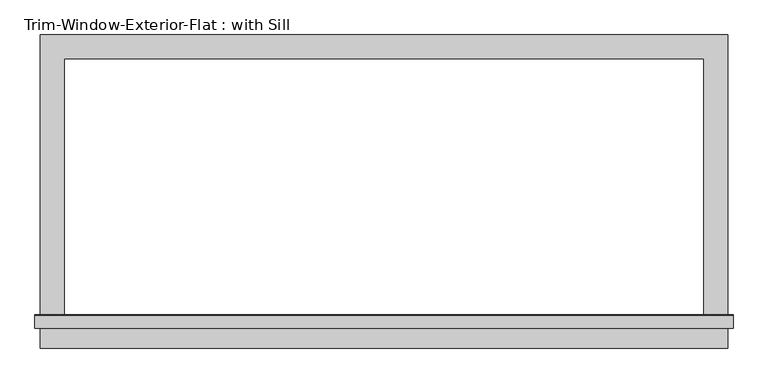
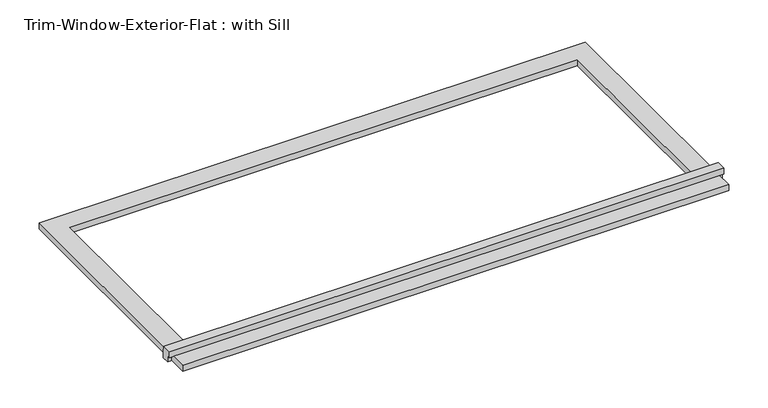
"""IFC4 building model written with IfcOpenShell, lengths in millimetres: proxy geometry, Trim-Window-Exterior-Flat : with Sill."""

import ifcopenshell
import ifcopenshell.guid

model = None  # the IFC model being written
_history = None  # IfcOwnerHistory: only IFC2X3 demands one
_inside = {}  # id of a spatial element -> (the spatial element, [elements in it])
_under = {}  # id of a project, library or spatial element -> (it, [spatial elements below it])
_declared = {}  # id of a project -> (the project, [libraries it declares])
_typed = {}  # id of a type object -> (the type object, [elements of that type])
_made_of = {}  # id of a material, layer set ... -> (it, [elements and type objects made of it])


def new_model(schema):
    """Start an empty IFC model of exactly this schema.

    Asked for "IFC4X3", IfcOpenShell would pick the latest addendum, in which some entities
    have other attributes; the version numbers below select the first issue.
    IFC2X3 requires an IfcOwnerHistory on every rooted entity: one is made here for all.
    """
    global model, _history
    if schema == "IFC4X3":
        model = ifcopenshell.file(schema_version=(4, 3, 0, 0))
    else:
        model = ifcopenshell.file(schema=schema)
    _inside.clear()
    _under.clear()
    _declared.clear()
    _typed.clear()
    _made_of.clear()
    _history = None
    if model.schema == "IFC2X3":
        org = make("IfcOrganization", Name="unknown")
        user = make(
            "IfcPersonAndOrganization",
            ThePerson=make("IfcPerson", FamilyName="unknown"),
            TheOrganization=org,
        )
        app = make(
            "IfcApplication",
            ApplicationDeveloper=org,
            Version="unknown",
            ApplicationFullName="unknown",
            ApplicationIdentifier="unknown",
        )
        _history = make(
            "IfcOwnerHistory",
            OwningUser=user,
            OwningApplication=app,
            ChangeAction="ADDED",
            CreationDate=0,
        )
    return model


def make(cls, **values):
    """One entity of the class cls with the attributes given. An attribute that is None is left unset."""
    return model.create_entity(
        cls, **{name: value for name, value in values.items() if value is not None}
    )


def rooted(cls, **values):
    """An entity with a GlobalId (a new one), such as an element, a storey or a relation."""
    return make(cls, GlobalId=ifcopenshell.guid.new(), OwnerHistory=_history, **values)


def si_unit(unit_type, name, prefix=None):
    """IfcSIUnit, for example si_unit("LENGTHUNIT", "METRE", prefix="MILLI")."""
    return make("IfcSIUnit", UnitType=unit_type, Prefix=prefix, Name=name)


def assignment(units):
    """IfcUnitAssignment: the units of a project."""
    return None if units is None else make("IfcUnitAssignment", Units=units)


def point(xyz):
    """IfcCartesianPoint."""
    return None if xyz is None else make("IfcCartesianPoint", Coordinates=xyz)


def direction(xyz):
    """IfcDirection."""
    return None if xyz is None else make("IfcDirection", DirectionRatios=xyz)


def frame(location, z_axis=None, x_axis=None):
    """IfcAxis2Placement3D, a coordinate frame: its origin and axes. An axis left out is left unset."""
    return make(
        "IfcAxis2Placement3D",
        Location=point(location),
        Axis=direction(z_axis),
        RefDirection=direction(x_axis),
    )


def origin():
    """The frame at (0, 0, 0) with its axes left unset."""
    return frame((0.0, 0.0, 0.0))


def origin_with_axes():
    """The frame at (0, 0, 0) with the z axis (0, 0, 1) and the x axis (1, 0, 0) written out."""
    return frame((0.0, 0.0, 0.0), z_axis=(0.0, 0.0, 1.0), x_axis=(1.0, 0.0, 0.0))


def place(relative_to, where):
    """IfcLocalPlacement: puts the frame where relative to a parent placement (None: the world)."""
    return make(
        "IfcLocalPlacement", PlacementRelTo=relative_to, RelativePlacement=where
    )


def context(
    kind, dimensions, precision=None, world=None, true_north=None, identifier=None
):
    """IfcGeometricRepresentationContext, for example the 3D "Model" context."""
    return make(
        "IfcGeometricRepresentationContext",
        ContextIdentifier=identifier,
        ContextType=kind,
        CoordinateSpaceDimension=dimensions,
        Precision=precision,
        WorldCoordinateSystem=world,
        TrueNorth=true_north,
    )


def project(units=None, contexts=None):
    """IfcProject with its units and contexts."""
    return rooted(
        "IfcProject",
        Name="project",
        RepresentationContexts=contexts,
        UnitsInContext=assignment(units),
    )


def spatial(cls, under=None, at=None, **own):
    """A site, building, storey or space (cls), placed at a placement, below another one or the project."""
    s = rooted(cls, ObjectPlacement=at, **own)
    if under is not None:
        _under.setdefault(under.id(), (under, []))[1].append(s)
    return s


def polyline(points):
    """IfcPolyline through the points."""
    return make("IfcPolyline", Points=[point(p) for p in points])


def outline(outer, holes=None, kind="AREA"):
    """IfcArbitraryClosedProfileDef: a profile drawn as a closed curve; with holes, ...WithVoids."""
    if holes is None:
        return make("IfcArbitraryClosedProfileDef", ProfileType=kind, OuterCurve=outer)
    return make(
        "IfcArbitraryProfileDefWithVoids",
        ProfileType=kind,
        OuterCurve=outer,
        InnerCurves=holes,
    )


def extrude(swept, where, along, depth):
    """IfcExtrudedAreaSolid: the profile swept, set in the frame where, extruded along a direction by depth."""
    return make(
        "IfcExtrudedAreaSolid",
        SweptArea=swept,
        Position=where,
        ExtrudedDirection=direction(along),
        Depth=depth,
    )


def shape(context_of_items, identifier, shape_type, items):
    """IfcShapeRepresentation: the items that make up one representation, for example the "Body"."""
    return make(
        "IfcShapeRepresentation",
        ContextOfItems=context_of_items,
        RepresentationIdentifier=identifier,
        RepresentationType=shape_type,
        Items=items,
    )


def source(mapping_origin, context_of_items, identifier, shape_type, items):
    """IfcRepresentationMap: a shape defined once, which mapped items show again and again."""
    return make(
        "IfcRepresentationMap",
        MappingOrigin=mapping_origin,
        MappedRepresentation=shape(context_of_items, identifier, shape_type, items),
    )


def transform(
    local_origin,
    x_axis=None,
    y_axis=None,
    z_axis=None,
    scale=None,
    scale2=None,
    scale3=None,
    uniform=True,
):
    """IfcCartesianTransformationOperator3D, or its non-uniform kind. x_axis, y_axis, z_axis: its Axis1, 2, 3."""
    if uniform:
        return make(
            "IfcCartesianTransformationOperator3D",
            Axis1=direction(x_axis),
            Axis2=direction(y_axis),
            LocalOrigin=point(local_origin),
            Scale=scale,
            Axis3=direction(z_axis),
        )
    return make(
        "IfcCartesianTransformationOperator3DnonUniform",
        Axis1=direction(x_axis),
        Axis2=direction(y_axis),
        LocalOrigin=point(local_origin),
        Scale=scale,
        Axis3=direction(z_axis),
        Scale2=scale2,
        Scale3=scale3,
    )


def mapped(mapping_source, mapping_target):
    """IfcMappedItem: shows the shape of a source again, moved by a transform."""
    return make(
        "IfcMappedItem", MappingSource=mapping_source, MappingTarget=mapping_target
    )


def made_of(thing, what):
    """Note that an element or type object is made of a material, layer set ...; save() writes the relation."""
    if what is not None:
        _made_of.setdefault(what.id(), (what, []))[1].append(thing)
    return thing


def element(
    cls,
    number,
    at=None,
    inside=None,
    cuts=None,
    type_object=None,
    material=None,
    context=None,
    identifier="Body",
    shape_type=None,
    held_by="IfcProductDefinitionShape",
    body=None,
    shapes=None,
    **own,
):
    """One element of the class cls, such as IfcWall. Its Tag is "e" and its number.

    at: its placement. inside: the storey or other place that contains it. cuts: it is an
    opening in that element (IfcRelVoidsElement). A single representation is given by context,
    identifier, shape_type and body (its items); several are given by shapes. held_by: the class
    of the entity that holds the representations. save() writes the other relations.
    """
    e = rooted(cls, Tag="e%d" % number, ObjectPlacement=at, **own)
    if body is not None:
        shapes = [shape(context, identifier, shape_type, body)]
    if shapes is not None:
        e.Representation = make(held_by, Representations=shapes)
    if inside is not None:
        _inside.setdefault(inside.id(), (inside, []))[1].append(e)
    if cuts is not None:
        rooted(
            "IfcRelVoidsElement", RelatingBuildingElement=cuts, RelatedOpeningElement=e
        )
    if type_object is not None:
        _typed.setdefault(type_object.id(), (type_object, []))[1].append(e)
    return made_of(e, material)


def aggregate(whole, parts):
    """IfcRelAggregates: a whole, such as a stair, and the parts it consists of."""
    return rooted("IfcRelAggregates", RelatingObject=whole, RelatedObjects=parts)


def save(model, path):
    """Write the relations noted so far, then the file.

    IfcRelAggregates (storeys below a building ...), IfcRelContainedInSpatialStructure (elements
    in a storey), IfcRelDefinesByType, IfcRelAssociatesMaterial and IfcRelDeclares: one each for
    every whole, place, type object, material and project.
    """
    for whole, parts in _under.values():
        aggregate(whole, parts)
    for where, things in _inside.values():
        rooted(
            "IfcRelContainedInSpatialStructure",
            RelatedElements=things,
            RelatingStructure=where,
        )
    for kind, things in _typed.values():
        rooted("IfcRelDefinesByType", RelatedObjects=things, RelatingType=kind)
    for what, things in _made_of.values():
        rooted("IfcRelAssociatesMaterial", RelatedObjects=things, RelatingMaterial=what)
    for by, libraries in _declared.values():
        rooted("IfcRelDeclares", RelatingContext=by, RelatedDefinitions=libraries)
    model.write(path)


def trim_window_exterior_flat_with_sill_194c9811(model_context):
    return source(origin(), model_context, "Body", "SweptSolid", [
        extrude(outline(polyline([(819.15, -631.7823709), (819.15, -688.9323709), (-819.15, -688.9323709), (-819.15, -631.7823709), (819.15, -631.7823709)])), origin_with_axes(), (0.0, 0.0, 1.0), 19.05),
        extrude(outline(polyline([(-641.35, 38.1), (-612.0580645, 38.1), (-609.6, 19.05), (-609.6, 0.0), (-631.7823709, 0.0), (-631.7823709, 19.05), (-641.35, 19.05), (-641.35, 38.1)])), frame((-831.85, 0.0, 0.0), z_axis=(1.0, 0.0, 0.0), x_axis=(0.0, 1.0, 0.0)), (0.0, 0.0, 1.0), 1663.7),
        extrude(outline(polyline([(-819.15, 57.15), (819.15, 57.15), (819.15, -609.6), (762.0, -609.6), (762.0, 0.0), (-762.0, 0.0), (-762.0, -609.6), (-819.15, -609.6), (-819.15, 57.15)])), origin_with_axes(), (0.0, 0.0, 1.0), 19.05),
    ])


if __name__ == "__main__":
    model = new_model("IFC4")
    model_context = context("Model", 3, world=origin())
    ifc_project = project(units=[si_unit("LENGTHUNIT", "METRE", prefix="MILLI")], contexts=[model_context])
    site = spatial("IfcSite", under=ifc_project)
    building = spatial("IfcBuilding", under=site)
    placement = place(None, origin())
    trim_window_exterior_flat_with_sill_shape = trim_window_exterior_flat_with_sill_194c9811(model_context)
    element("IfcBuildingElementProxy", 1, Name="Trim-Window-Exterior-Flat : with Sill", ObjectType="Trim-Window-Exterior-Flat : with Sill", at=placement, inside=building, context=model_context, shape_type="MappedRepresentation", body=[
        mapped(trim_window_exterior_flat_with_sill_shape, transform((0.0, 0.0, 0.0), x_axis=(1.0, 0.0, 0.0), y_axis=(0.0, 1.0, 0.0), z_axis=(0.0, 0.0, 1.0))),
    ])
    save(model, "model.ifc")
